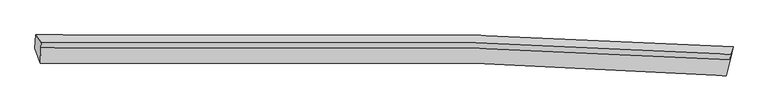
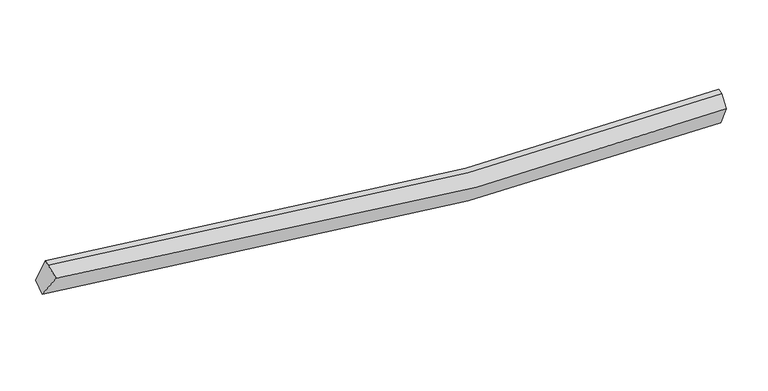
"""IFC4 building model written with IfcOpenShell, lengths in millimetres: proxy geometry."""

from ifc_helpers import new_model, si_unit, frame, origin, place, context, project, spatial, source, transform, mapped, element, save
from ifc_brep_helpers import plane_surface, spline_curve, spline_surface, advanced_brep


def generic_models_feff6ee2(model_context):
    return source(origin(), model_context, "Body", "AdvancedBrep", [
        advanced_brep(
        [(-9770.818884, -1965.538561, 3505.6642244), (-9744.989622, -1600.5460233, 3674.862905), (8996.9006888, -1913.5153094, 2409.9047391), (8877.9605607, -2313.4642352, 2226.0903783), (-9622.6893972, -2366.8269696, 4159.2733481), (8810.8489906, -2700.4173879, 2886.5692079), (-9607.7557302, -1949.9327197, 4283.2384431), (8921.9888205, -2272.9823919, 3026.9716954), (-9602.2846974, -1811.741531, 4326.8075054), (8928.0258222, -2120.495563, 3075.0479021)],
        [
            (0, 1),
            (1, 2, spline_curve(3, [(-9744.989622, -1600.5460233, 3674.862905), (-5842.328064889, -1491.769917708, 2880.482639341), (-1908.40752854, -1493.555216815, 2419.890627507), (4359.604984191, -1671.148829647, 2219.443831084), (6672.981218127, -1773.686625181, 2258.383120682), (8996.9006888, -1913.5153094, 2409.9047391)], [4, 2, 4], [0.0, 38.9901666535532, 61.63424669214942])),
            (2, 3),
            (3, 0, spline_curve(3, [(8877.9605607, -2313.4642352, 2226.0903783), (6601.241504169, -2173.44107079, 2086.711449289), (4321.913842623, -2069.207456202, 2056.111294589), (-1889.220487587, -1882.911599302, 2268.9033505), (-5826.152639399, -1871.169988718, 2726.028120154), (-9770.818884, -1965.538561, 3505.6642244)], [4, 2, 4], [0.0, 22.644080038596215, 61.63424669214942])),
            (4, 0),
            (3, 5),
            (5, 4, spline_curve(3, [(8810.8489906, -2700.4173879, 2886.5692079), (6559.674250021, -2548.251925431, 2726.370712851), (4306.190382161, -2436.982010732, 2682.290897478), (-1833.785354043, -2245.432118992, 2878.371333704), (-5724.814282284, -2245.505227159, 3346.685862799), (-9622.6893972, -2366.8269696, 4159.2733481)], [4, 2, 4], [0.0, 22.46146176334541, 61.13718345053758])),
            (6, 4),
            (5, 7),
            (7, 6, spline_curve(3, [(8921.9888205, -2272.9823919, 3026.9716954), (6628.162630955, -2130.976835558, 2878.752354075), (4343.36862602, -2026.608392124, 2841.511051802), (-1850.959660338, -1844.974375619, 3042.212877071), (-5742.747172164, -1841.659594635, 3498.209762714), (-9607.7557302, -1949.9327197, 4283.2384431)], [4, 2, 4], [0.0, 22.390436503576645, 60.94386191243574])),
            (8, 6),
            (7, 9),
            (9, 8, spline_curve(3, [(8928.0258222, -2120.495563, 3075.0479021), (6634.041072667, -1982.495040634, 2925.565848958), (4349.121296206, -1881.303406074, 2887.322959204), (-1845.4600726, -1706.061930238, 3086.009338658), (-5737.310469519, -1704.335553311, 3541.5054293), (-9602.2846974, -1811.741531, 4326.8075054)], [4, 2, 4], [0.0, 22.444841582209293, 61.09194547476352])),
            (1, 8),
            (9, 2),
            (7, 2),
            (3, 7),
        ],
        [
            spline_surface(3, 3, [[(-9770.818884, -1965.538561, 3505.6642244), (-5826.152639798, -1871.169988437, 2726.028120264), (-1889.220487099, -1882.911599013, 2268.903350328), (4321.91384234, -2069.20745637, 2056.111294689), (6601.241504486, -2173.441070566, 2086.711449254), (8877.9605607, -2313.4642352, 2226.0903783)], [(-9762.209129991, -1843.874381767, 3562.063784594), (-5831.544448115, -1744.703298093, 2777.512959785), (-1895.616167521, -1753.126138372, 2319.232442749), (4334.47755625, -1936.52124742, 2110.555473461), (6625.154742283, -2040.189588793, 2143.935339588), (8917.607270056, -2180.147926603, 2287.361831882)], [(-9753.599376009, -1722.210202533, 3618.463344806), (-5836.936256461, -1618.236607749, 2828.997799323), (-1902.011847931, -1623.34067771, 2369.56153519), (4347.041270172, -1803.835038449, 2164.999652253), (6649.067980111, -1906.938107009, 2201.159229976), (8957.253979444, -2046.831617997, 2348.633285518)], [(-9744.989622, -1600.5460233, 3674.862905), (-5842.328064778, -1491.769917405, 2880.482638844), (-1908.407528353, -1493.555217069, 2419.89062761), (4359.604984082, -1671.148829499, 2219.443831024), (6672.981217908, -1773.686625236, 2258.38312031), (8996.9006888, -1913.5153094, 2409.9047391)]], [4, 4], [4, 2, 4], [0.0, 1.3798094567630392], [0.0, 38.9901666535532, 61.63424669214942]),
            spline_surface(3, 3, [[(-9622.6893972, -2366.8269696, 4159.2733481), (-5724.814281725, -2245.50522764, 3346.685863119), (-1833.785353999, -2245.432119147, 2878.371334076), (4306.190382136, -2436.982010642, 2682.290897262), (6559.67425028, -2548.251925279, 2726.37071288), (8810.8489906, -2700.4173879, 2886.5692079)], [(-9672.065892798, -2233.064166726, 3941.403640226), (-5758.593734414, -2120.726814566, 3139.79994886), (-1852.263731701, -2124.591945777, 2675.215339483), (4311.431535536, -2314.390492559, 2473.56436306), (6573.53000168, -2423.314973703, 2513.150958354), (8833.219513965, -2571.433003662, 2666.40959805)], [(-9721.442388402, -2099.301363874, 3723.533932274), (-5792.373187109, -1995.948401512, 2932.914034523), (-1870.742109398, -2003.751772383, 2472.059344922), (4316.67268894, -2191.798974452, 2264.837828891), (6587.385753086, -2298.378022142, 2299.931203779), (8855.590037335, -2442.448619438, 2446.24998815)], [(-9770.818884, -1965.538561, 3505.6642244), (-5826.152639798, -1871.169988437, 2726.028120264), (-1889.220487099, -1882.911599013, 2268.903350328), (4321.91384234, -2069.20745637, 2056.111294689), (6601.241504486, -2173.441070566, 2086.711449254), (8877.9605607, -2313.4642352, 2226.0903783)]], [4, 4], [4, 2, 4], [0.0, 2.3545792113939306], [0.0, 38.675721687192166, 61.13718345053758]),
            spline_surface(3, 3, [[(-9607.7557302, -1949.9327197, 4283.2384431), (-5742.747171926, -1841.659594222, 3498.209762727), (-1850.959660262, -1844.974375288, 3042.212877706), (4343.368625976, -2026.608392316, 2841.511051433), (6628.162631209, -2130.97683532, 2878.75235388), (8921.9888205, -2272.9823919, 3026.9716954)], [(-9612.733619222, -2088.897469692, 4241.916744749), (-5736.769541881, -1976.274805387, 3447.701796173), (-1845.234891511, -1978.460289912, 2987.599029823), (4330.975878026, -2163.399598429, 2788.437666703), (6605.333170908, -2270.068531978, 2827.958473538), (8884.942210542, -2415.460723905, 2980.170866225)], [(-9617.711508178, -2227.862219608, 4200.595046451), (-5730.79191177, -2110.890016476, 3397.193829673), (-1839.510122751, -2111.946204522, 2932.985181959), (4318.583130085, -2300.190804528, 2735.364281992), (6582.503710582, -2409.160228621, 2777.164593222), (8847.895600558, -2557.939055895, 2933.370037075)], [(-9622.6893972, -2366.8269696, 4159.2733481), (-5724.814281725, -2245.50522764, 3346.685863119), (-1833.785353999, -2245.432119147, 2878.371334076), (4306.190382136, -2436.982010642, 2682.290897262), (6559.67425028, -2548.251925279, 2726.37071288), (8810.8489906, -2700.4173879, 2886.5692079)]], [4, 4], [4, 2, 4], [0.0, 1.4267078130308863], [0.0, 38.5534254088591, 60.94386191243574]),
            spline_surface(3, 3, [[(-9602.2846974, -1811.741531, 4326.8075054), (-5737.310469778, -1704.335553239, 3541.505429788), (-1845.460072682, -1706.061929838, 3086.009338628), (4349.121296253, -1881.303406305, 2887.322959222), (6634.041072352, -1982.495040376, 2925.56584929), (8928.0258222, -2120.495563, 3075.0479021)], [(-9604.108374981, -1857.805260536, 4312.284484625), (-5739.122703808, -1750.110233536, 3527.073540759), (-1847.293268523, -1752.366078291, 3071.410518326), (4347.203739513, -1929.738401612, 2872.052323297), (6632.081591989, -2031.988971994, 2909.961350819), (8926.013488318, -2171.324505936, 3059.022499866)], [(-9605.932052619, -1903.868990164, 4297.761463875), (-5740.934937896, -1795.884913925, 3512.641651755), (-1849.126464421, -1798.670226835, 3056.811698008), (4345.286182716, -1978.17339701, 2856.781687357), (6630.122111573, -2081.482903702, 2894.356852351), (8924.001154382, -2222.153448964, 3042.997097634)], [(-9607.7557302, -1949.9327197, 4283.2384431), (-5742.747171926, -1841.659594222, 3498.209762727), (-1850.959660262, -1844.974375288, 3042.212877706), (4343.368625976, -2026.608392316, 2841.511051433), (6628.162631209, -2130.97683532, 2878.75235388), (8921.9888205, -2272.9823919, 3026.9716954)]], [4, 4], [4, 2, 4], [0.0, 0.4844858245836021], [0.0, 38.64710389255423, 61.09194547476352]),
            spline_surface(3, 3, [[(-9744.989622, -1600.5460233, 3674.862905), (-5842.328064778, -1491.769917405, 2880.482638844), (-1908.407528353, -1493.555217069, 2419.89062761), (4359.604984082, -1671.148829499, 2219.443831024), (6672.981217908, -1773.686625236, 2258.38312031), (8996.9006888, -1913.5153094, 2409.9047391)], [(-9697.421313808, -1670.944525879, 3892.177771806), (-5807.322199787, -1562.625129362, 3100.823569165), (-1887.42504314, -1564.390788003, 2641.930197969), (4356.110421462, -1741.200355112, 2442.070207109), (6660.001169375, -1843.289430309, 2480.777363315), (8973.942399919, -1982.508727293, 2631.619126778)], [(-9649.853005592, -1741.343028421, 4109.492638594), (-5772.31633477, -1633.480341283, 3321.164499468), (-1866.442557895, -1635.226358904, 2863.96976827), (4352.615858874, -1811.251880693, 2664.696583137), (6647.021120884, -1912.892235303, 2703.171606285), (8950.984111081, -2051.502145107, 2853.333514422)], [(-9602.2846974, -1811.741531, 4326.8075054), (-5737.310469778, -1704.335553239, 3541.505429788), (-1845.460072682, -1706.061929838, 3086.009338628), (4349.121296253, -1881.303406305, 2887.322959222), (6634.041072352, -1982.495040376, 2925.56584929), (8928.0258222, -2120.495563, 3075.0479021)]], [4, 4], [4, 2, 4], [0.0, 2.2976350841430673], [0.0, 38.86782122315647, 61.440847456241244]),
            plane_surface(frame((-9669.7076662, -1938.9171609, 3989.9692852), z_axis=(-0.9782718175126064, -0.026115364505471604, 0.20567508064257162), x_axis=(-0.06407157645696286, -0.9053935516869968, -0.41971103113204605))),
            plane_surface(frame((8948.9717772, -2102.3310881, 2837.3081122), z_axis=(0.9944321169138515, -0.06541707764437989, 0.08261580237887499), x_axis=(0.10432638863532406, 0.5006136331386977, -0.859361387863095))),
            plane_surface(frame((8870.266124, -2428.9546716, 2713.2104272), z_axis=(0.9702125268578636, -0.2387139621553869, -0.04127101888923826), x_axis=(-0.23982108957893775, -0.9223329438594329, -0.30296499082363204))),
            plane_surface(frame((8932.2833567, -2166.6539788, 2554.3222709), z_axis=(0.9625682620202956, -0.2681659330236612, -0.03936207968053923), x_axis=(-0.05482209804550047, -0.050406252564927444, -0.9972230178191087))),
        ],
        [
            (0, [[1, 2, 3, 4]]),
            (1, [[5, -4, 6, 7]]),
            (2, [[8, -7, 9, 10]]),
            (3, [[11, -10, 12, 13]]),
            (4, [[14, -13, 15, -2]]),
            (5, [[-1, -5, -8, -11, -14]]),
            (6, [[16, -15, -12]]),
            (7, [[-9, -6, 17]]),
            (8, [[-17, -3, -16]]),
        ],
    ),
    ])


if __name__ == "__main__":
    model = new_model("IFC4")
    model_context = context("Model", 3, world=origin())
    ifc_project = project(units=[si_unit("LENGTHUNIT", "METRE", prefix="MILLI")], contexts=[model_context])
    site = spatial("IfcSite", under=ifc_project)
    building = spatial("IfcBuilding", under=site)
    placement = place(None, origin())
    generic_models_shape = generic_models_feff6ee2(model_context)
    element("IfcBuildingElementProxy", 1, Name="Generic Models", at=placement, inside=building, context=model_context, shape_type="MappedRepresentation", body=[
        mapped(generic_models_shape, transform((0.0, 0.0, 0.0), x_axis=(1.0, 0.0, 0.0), y_axis=(0.0, 1.0, 0.0), z_axis=(0.0, 0.0, 1.0))),
    ])
    save(model, "model.ifc")
